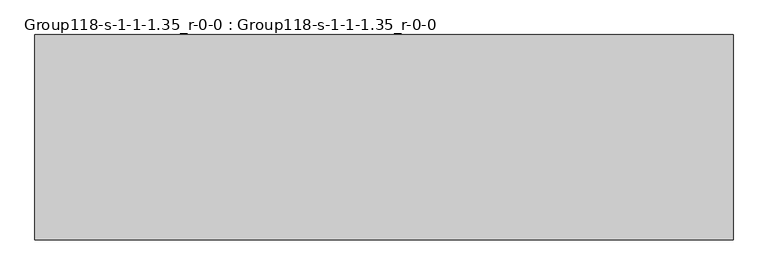
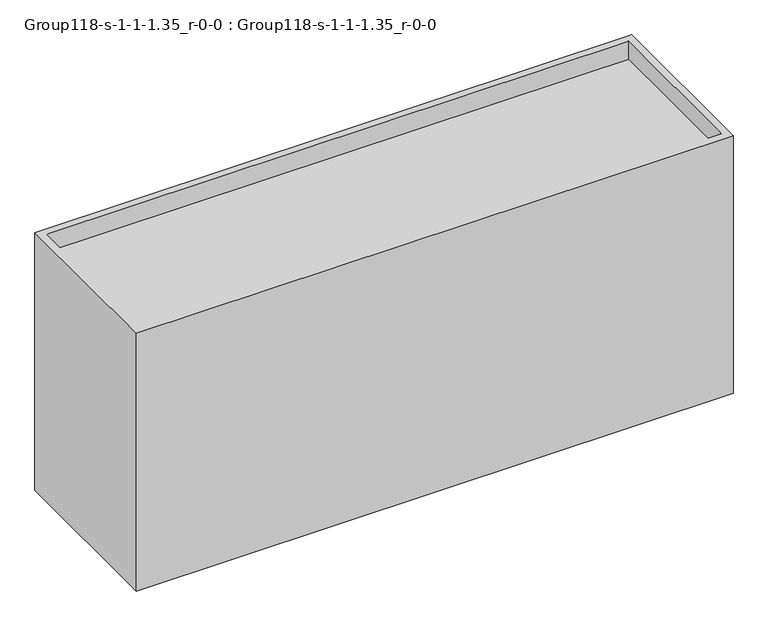
"""IFC4 building model written with IfcOpenShell, lengths in millimetres: geographic element geometry, Group118-s-1-1-1.35_r-0-0 : Group118-s-1-1-1.35_r-0-0."""

from ifc_helpers import new_model, si_unit, origin, place, context, project, spatial, triangles, source, transform, mapped, element, save


def group118_s_1_1_1_35_r_0_0_group118_s_1_1_1_35_r_0_0_8b4bbf55(model_context):
    return source(origin(), model_context, "Body", "Tessellation", [
        triangles([(16976.7253876, 7585.0748062, 0.0), (-8792.4749451, 0.0, 0.0), (-8792.4749451, 7585.0748062, 0.0), (16976.7253876, 0.0, 0.0), (16976.7253876, 0.0, 11767.99216), (16976.7253876, 7585.0748062, 11767.99216), (-8792.4749451, 0.0, 11767.99216), (16671.9253876, 304.8, 10945.0319275), (-8487.6749451, 7280.2748062, 10945.0319275), (-8487.6749451, 304.8, 10945.0319275), (16671.9253876, 7280.2748062, 10945.0319275), (-8487.6749451, 304.8, 11767.99216), (-8792.4749451, 7585.0748062, 11767.99216), (16671.9253876, 304.8, 11767.99216), (16671.9253876, 7280.2748062, 11767.99216), (-8487.6749451, 7280.2748062, 11767.99216)], [[1, 2, 3], [2, 1, 4], [1, 5, 4], [5, 1, 6], [4, 7, 2], [7, 4, 5], [8, 9, 10], [9, 8, 11], [7, 12, 13], [12, 7, 5], [12, 5, 14], [14, 5, 15], [13, 16, 6], [16, 13, 12], [6, 16, 15], [6, 15, 5], [13, 1, 3], [1, 13, 6], [15, 8, 14], [8, 15, 11], [7, 3, 2], [3, 7, 13], [9, 12, 10], [12, 9, 16], [15, 9, 11], [9, 15, 16], [12, 8, 10], [8, 12, 14]]),
    ])


if __name__ == "__main__":
    model = new_model("IFC4")
    model_context = context("Model", 3, world=origin())
    ifc_project = project(units=[si_unit("LENGTHUNIT", "METRE", prefix="MILLI")], contexts=[model_context])
    site = spatial("IfcSite", under=ifc_project)
    building = spatial("IfcBuilding", under=site)
    placement = place(None, origin())
    group118_s_1_1_1_35_r_0_0_group118_s_1_1_1_35_r_0_0_shape = group118_s_1_1_1_35_r_0_0_group118_s_1_1_1_35_r_0_0_8b4bbf55(model_context)
    element("IfcGeographicElement", 1, ObjectType="Group118-s-1-1-1.35_r-0-0 : Group118-s-1-1-1.35_r-0-0", at=placement, inside=building, context=model_context, shape_type="MappedRepresentation", body=[
        mapped(group118_s_1_1_1_35_r_0_0_group118_s_1_1_1_35_r_0_0_shape, transform((0.0, 0.0, 0.0), x_axis=(1.0, 0.0, 0.0), y_axis=(0.0, 1.0, 0.0), z_axis=(0.0, 0.0, 1.0))),
    ])
    save(model, "model.ifc")
